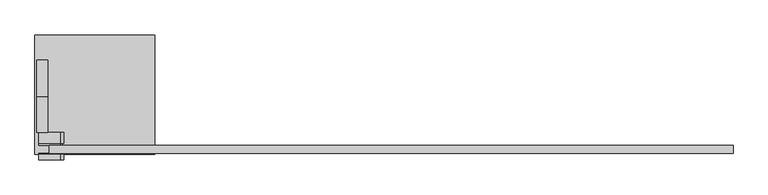
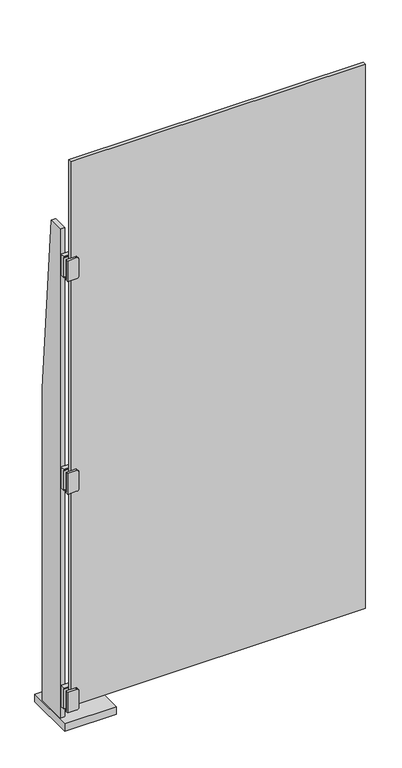
"""IFC4 building model written with IfcOpenShell, lengths in millimetres: plate geometry."""

from ifc_helpers import new_model, si_unit, point, frame, frame_2d, origin, origin_with_axes, place, context, project, spatial, polyline, circle_curve, trimmed, segment, composite_curve, outline, extrude, source, transform, mapped, element, save


def plate_0bc4465b(model_context):
    return source(origin(), model_context, "Body", "SweptSolid", [
        extrude(outline(composite_curve([segment(polyline([(168.275, -615.9500002), (85.725, -615.9500002), (85.725, -577.8500002)]), True, "CONTINUOUS"), segment(trimmed(circle_curve(frame_2d((88.9, -577.8500002)), 3.175), [point((85.725, -577.8500002))], [point((88.9, -574.6750002))], False, "CARTESIAN"), True, "CONTINUOUS"), segment(polyline([(88.9, -574.6750002), (165.1, -574.6750002)]), True, "CONTINUOUS"), segment(trimmed(circle_curve(frame_2d((165.1, -577.8500002)), 3.175), [point((165.1, -574.6750002))], [point((168.275, -577.8500002))], False, "CARTESIAN"), True, "CONTINUOUS"), segment(polyline([(168.275, -577.8500002), (168.275, -615.9500002)]), True, "CONTINUOUS")], self_intersect=False)), frame((0.0, -114.3, 0.0), z_axis=(0.0, 1.0, 0.0), x_axis=(0.0, 0.0, 1.0)), (0.0, 0.0, 1.0), 1.5875),
        extrude(outline(composite_curve([segment(polyline([(168.275, -615.9500002), (85.725, -615.9500002), (85.725, -577.8500002)]), True, "CONTINUOUS"), segment(trimmed(circle_curve(frame_2d((88.9, -577.8500002)), 3.175), [point((85.725, -577.8500002))], [point((88.9, -574.6750002))], False, "CARTESIAN"), True, "CONTINUOUS"), segment(polyline([(88.9, -574.6750002), (165.1, -574.6750002)]), True, "CONTINUOUS"), segment(trimmed(circle_curve(frame_2d((165.1, -577.8500002)), 3.175), [point((165.1, -574.6750002))], [point((168.275, -577.8500002))], False, "CARTESIAN"), True, "CONTINUOUS"), segment(polyline([(168.275, -577.8500002), (168.275, -615.9500002)]), True, "CONTINUOUS")], self_intersect=False)), frame((0.0, -98.425, 0.0), z_axis=(0.0, 1.0, 0.0), x_axis=(0.0, 0.0, 1.0)), (0.0, 0.0, 1.0), 3.175),
        extrude(outline(composite_curve([segment(trimmed(circle_curve(frame_2d((165.1, -577.8500002)), 6.35), [point((165.1, -571.5000002))], [point((171.45, -577.8500002))], False, "CARTESIAN"), True, "CONTINUOUS"), segment(polyline([(171.45, -577.8500002), (171.45, -615.9500002), (82.55, -615.9500002), (82.55, -577.8500002)]), True, "CONTINUOUS"), segment(trimmed(circle_curve(frame_2d((88.9, -577.8500002)), 6.35), [point((82.55, -577.8500002))], [point((88.9, -571.5000002))], False, "CARTESIAN"), True, "CONTINUOUS"), segment(polyline([(88.9, -571.5000002), (165.1, -571.5000002)]), True, "CONTINUOUS")], self_intersect=False)), frame((0.0, -123.825, 0.0), z_axis=(0.0, 1.0, 0.0), x_axis=(0.0, 0.0, 1.0)), (0.0, 0.0, 1.0), 9.525),
        extrude(outline(composite_curve([segment(trimmed(circle_curve(frame_2d((165.1, -577.8500002)), 6.35), [point((165.1, -571.5000002))], [point((171.45, -577.8500002))], False, "CARTESIAN"), True, "CONTINUOUS"), segment(polyline([(171.45, -577.8500002), (171.45, -615.9500002), (82.55, -615.9500002), (82.55, -577.8500002)]), True, "CONTINUOUS"), segment(trimmed(circle_curve(frame_2d((88.9, -577.8500002)), 6.35), [point((82.55, -577.8500002))], [point((88.9, -571.5000002))], False, "CARTESIAN"), True, "CONTINUOUS"), segment(polyline([(88.9, -571.5000002), (165.1, -571.5000002)]), True, "CONTINUOUS")], self_intersect=False)), frame((0.0, -95.25, 0.0), z_axis=(0.0, 1.0, 0.0), x_axis=(0.0, 0.0, 1.0)), (0.0, 0.0, 1.0), 19.05),
        extrude(outline(polyline([(-412.7500002, 95.25), (-412.7500002, -114.3), (-622.3000002, -114.3), (-622.3000002, 95.25), (-412.7500002, 95.25)])), origin_with_axes(), (0.0, 0.0, 1.0), 31.75),
        extrude(outline(composite_curve([segment(polyline([(2022.475, -615.9500002), (1939.925, -615.9500002), (1939.925, -577.8500002)]), True, "CONTINUOUS"), segment(trimmed(circle_curve(frame_2d((1943.1, -577.8500002)), 3.175), [point((1939.925, -577.8500002))], [point((1943.1, -574.6750002))], False, "CARTESIAN"), True, "CONTINUOUS"), segment(polyline([(1943.1, -574.6750002), (2019.3, -574.6750002)]), True, "CONTINUOUS"), segment(trimmed(circle_curve(frame_2d((2019.3, -577.8500002)), 3.175), [point((2019.3, -574.6750002))], [point((2022.475, -577.8500002))], False, "CARTESIAN"), True, "CONTINUOUS"), segment(polyline([(2022.475, -577.8500002), (2022.475, -615.9500002)]), True, "CONTINUOUS")], self_intersect=False)), frame((0.0, -114.3, 0.0), z_axis=(0.0, 1.0, 0.0), x_axis=(0.0, 0.0, 1.0)), (0.0, 0.0, 1.0), 1.5875),
        extrude(outline(composite_curve([segment(polyline([(2022.475, -615.9500002), (1939.925, -615.9500002), (1939.925, -577.8500002)]), True, "CONTINUOUS"), segment(trimmed(circle_curve(frame_2d((1943.1, -577.8500002)), 3.175), [point((1939.925, -577.8500002))], [point((1943.1, -574.6750002))], False, "CARTESIAN"), True, "CONTINUOUS"), segment(polyline([(1943.1, -574.6750002), (2019.3, -574.6750002)]), True, "CONTINUOUS"), segment(trimmed(circle_curve(frame_2d((2019.3, -577.8500002)), 3.175), [point((2019.3, -574.6750002))], [point((2022.475, -577.8500002))], False, "CARTESIAN"), True, "CONTINUOUS"), segment(polyline([(2022.475, -577.8500002), (2022.475, -615.9500002)]), True, "CONTINUOUS")], self_intersect=False)), frame((0.0, -98.425, 0.0), z_axis=(0.0, 1.0, 0.0), x_axis=(0.0, 0.0, 1.0)), (0.0, 0.0, 1.0), 3.175),
        extrude(outline(composite_curve([segment(trimmed(circle_curve(frame_2d((2019.3, -577.8500002)), 6.35), [point((2019.3, -571.5000002))], [point((2025.65, -577.8500002))], False, "CARTESIAN"), True, "CONTINUOUS"), segment(polyline([(2025.65, -577.8500002), (2025.65, -615.9500002), (1936.75, -615.9500002), (1936.75, -577.8500002)]), True, "CONTINUOUS"), segment(trimmed(circle_curve(frame_2d((1943.1, -577.8500002)), 6.35), [point((1936.75, -577.8500002))], [point((1943.1, -571.5000002))], False, "CARTESIAN"), True, "CONTINUOUS"), segment(polyline([(1943.1, -571.5000002), (2019.3, -571.5000002)]), True, "CONTINUOUS")], self_intersect=False)), frame((0.0, -123.825, 0.0), z_axis=(0.0, 1.0, 0.0), x_axis=(0.0, 0.0, 1.0)), (0.0, 0.0, 1.0), 9.525),
        extrude(outline(composite_curve([segment(trimmed(circle_curve(frame_2d((2019.3, -577.8500002)), 6.35), [point((2019.3, -571.5000002))], [point((2025.65, -577.8500002))], False, "CARTESIAN"), True, "CONTINUOUS"), segment(polyline([(2025.65, -577.8500002), (2025.65, -615.9500002), (1936.75, -615.9500002), (1936.75, -577.8500002)]), True, "CONTINUOUS"), segment(trimmed(circle_curve(frame_2d((1943.1, -577.8500002)), 6.35), [point((1936.75, -577.8500002))], [point((1943.1, -571.5000002))], False, "CARTESIAN"), True, "CONTINUOUS"), segment(polyline([(1943.1, -571.5000002), (2019.3, -571.5000002)]), True, "CONTINUOUS")], self_intersect=False)), frame((0.0, -95.25, 0.0), z_axis=(0.0, 1.0, 0.0), x_axis=(0.0, 0.0, 1.0)), (0.0, 0.0, 1.0), 19.05),
        extrude(outline(composite_curve([segment(polyline([(1108.075, -615.9500002), (1025.525, -615.9500002), (1025.525, -577.8500002)]), True, "CONTINUOUS"), segment(trimmed(circle_curve(frame_2d((1028.7, -577.8500002)), 3.175), [point((1025.525, -577.8500002))], [point((1028.7, -574.6750002))], False, "CARTESIAN"), True, "CONTINUOUS"), segment(polyline([(1028.7, -574.6750002), (1104.9, -574.6750002)]), True, "CONTINUOUS"), segment(trimmed(circle_curve(frame_2d((1104.9, -577.8500002)), 3.175), [point((1104.9, -574.6750002))], [point((1108.075, -577.8500002))], False, "CARTESIAN"), True, "CONTINUOUS"), segment(polyline([(1108.075, -577.8500002), (1108.075, -615.9500002)]), True, "CONTINUOUS")], self_intersect=False)), frame((0.0, -114.3, 0.0), z_axis=(0.0, 1.0, 0.0), x_axis=(0.0, 0.0, 1.0)), (0.0, 0.0, 1.0), 1.5875),
        extrude(outline(composite_curve([segment(polyline([(1108.075, -615.9500002), (1025.525, -615.9500002), (1025.525, -577.8500002)]), True, "CONTINUOUS"), segment(trimmed(circle_curve(frame_2d((1028.7, -577.8500002)), 3.175), [point((1025.525, -577.8500002))], [point((1028.7, -574.6750002))], False, "CARTESIAN"), True, "CONTINUOUS"), segment(polyline([(1028.7, -574.6750002), (1104.9, -574.6750002)]), True, "CONTINUOUS"), segment(trimmed(circle_curve(frame_2d((1104.9, -577.8500002)), 3.175), [point((1104.9, -574.6750002))], [point((1108.075, -577.8500002))], False, "CARTESIAN"), True, "CONTINUOUS"), segment(polyline([(1108.075, -577.8500002), (1108.075, -615.9500002)]), True, "CONTINUOUS")], self_intersect=False)), frame((0.0, -98.425, 0.0), z_axis=(0.0, 1.0, 0.0), x_axis=(0.0, 0.0, 1.0)), (0.0, 0.0, 1.0), 3.175),
        extrude(outline(composite_curve([segment(trimmed(circle_curve(frame_2d((1104.9, -577.8500002)), 6.35), [point((1104.9, -571.5000002))], [point((1111.25, -577.8500002))], False, "CARTESIAN"), True, "CONTINUOUS"), segment(polyline([(1111.25, -577.8500002), (1111.25, -615.9500002), (1022.35, -615.9500002), (1022.35, -577.8500002)]), True, "CONTINUOUS"), segment(trimmed(circle_curve(frame_2d((1028.7, -577.8500002)), 6.35), [point((1022.35, -577.8500002))], [point((1028.7, -571.5000002))], False, "CARTESIAN"), True, "CONTINUOUS"), segment(polyline([(1028.7, -571.5000002), (1104.9, -571.5000002)]), True, "CONTINUOUS")], self_intersect=False)), frame((0.0, -123.825, 0.0), z_axis=(0.0, 1.0, 0.0), x_axis=(0.0, 0.0, 1.0)), (0.0, 0.0, 1.0), 9.525),
        extrude(outline(composite_curve([segment(trimmed(circle_curve(frame_2d((1104.9, -577.8500002)), 6.35), [point((1104.9, -571.5000002))], [point((1111.25, -577.8500002))], False, "CARTESIAN"), True, "CONTINUOUS"), segment(polyline([(1111.25, -577.8500002), (1111.25, -615.9500002), (1022.35, -615.9500002), (1022.35, -577.8500002)]), True, "CONTINUOUS"), segment(trimmed(circle_curve(frame_2d((1028.7, -577.8500002)), 6.35), [point((1022.35, -577.8500002))], [point((1028.7, -571.5000002))], False, "CARTESIAN"), True, "CONTINUOUS"), segment(polyline([(1028.7, -571.5000002), (1104.9, -571.5000002)]), True, "CONTINUOUS")], self_intersect=False)), frame((0.0, -95.25, 0.0), z_axis=(0.0, 1.0, 0.0), x_axis=(0.0, 0.0, 1.0)), (0.0, 0.0, 1.0), 19.05),
        extrude(outline(polyline([(50.8, 1371.6), (50.8, 0.0), (-76.2, 0.0), (-76.2, 2133.6), (-12.7, 2133.6), (50.8, 1371.6)])), frame((-619.1250002, 0.0, 0.0), z_axis=(1.0, 0.0, 0.0), x_axis=(0.0, 1.0, 0.0)), (0.0, 0.0, 1.0), 19.05),
        extrude(outline(polyline([(600.0750002, -98.425), (600.0750002, -112.7125), (-596.9000002, -112.7125), (-596.9000002, -98.425), (600.0750002, -98.425)])), frame((0.0, 0.0, 98.425), z_axis=(0.0, 0.0, 1.0), x_axis=(1.0, 0.0, 0.0)), (0.0, 0.0, 1.0), 2339.975),
    ])


if __name__ == "__main__":
    model = new_model("IFC4")
    model_context = context("Model", 3, world=origin())
    ifc_project = project(units=[si_unit("LENGTHUNIT", "METRE", prefix="MILLI")], contexts=[model_context])
    site = spatial("IfcSite", under=ifc_project)
    building = spatial("IfcBuilding", under=site)
    placement = place(None, origin())
    plate_shape = plate_0bc4465b(model_context)
    element("IfcPlate", 1, at=placement, inside=building, context=model_context, shape_type="MappedRepresentation", body=[
        mapped(plate_shape, transform((0.0, 0.0, 0.0), x_axis=(1.0, 0.0, 0.0), y_axis=(0.0, 1.0, 0.0), z_axis=(0.0, 0.0, 1.0))),
    ])
    save(model, "model.ifc")
